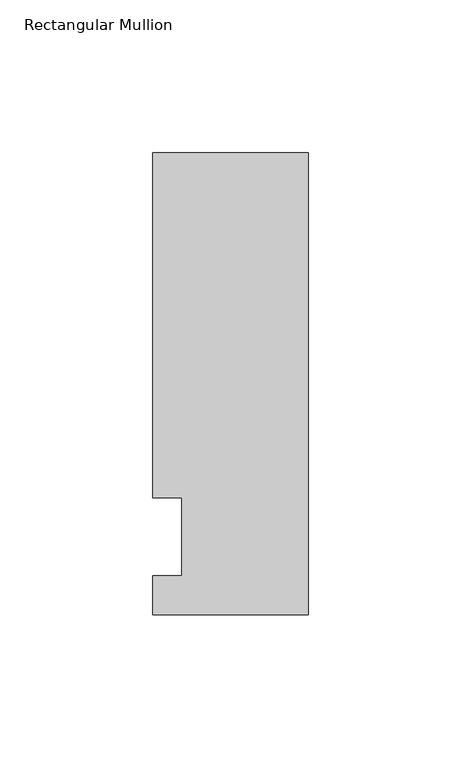
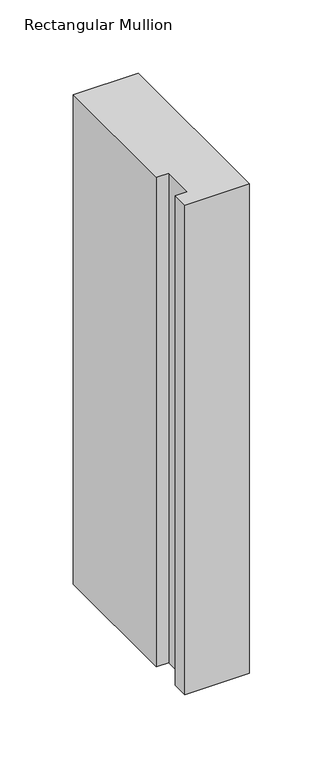
"""IFC4 building model written with IfcOpenShell, lengths in millimetres: member geometry, Rectangular Mullion."""

from ifc_helpers import new_model, si_unit, frame, origin, place, context, project, spatial, polyline, outline, extrude, source, transform, mapped, element, save


def rectangular_mullion_96897bdb(model_context):
    return source(origin(), model_context, "Body", "SweptSolid", [
        extrude(outline(polyline([(-50.8, -25.5984375), (-50.8, -12.7), (-41.275, -12.7), (-41.275, 12.7), (-50.8, 12.7), (-50.8, 125.6109375), (0.0, 125.6109375), (0.0, -25.5984375), (-50.8, -25.5984375)])), frame((0.0, 0.0, -406.4), z_axis=(0.0, 0.0, 1.0), x_axis=(1.0, 0.0, 0.0)), (0.0, 0.0, 1.0), 406.4),
    ])


if __name__ == "__main__":
    model = new_model("IFC4")
    model_context = context("Model", 3, world=origin())
    ifc_project = project(units=[si_unit("LENGTHUNIT", "METRE", prefix="MILLI")], contexts=[model_context])
    site = spatial("IfcSite", under=ifc_project)
    building = spatial("IfcBuilding", under=site)
    placement = place(None, origin())
    rectangular_mullion_shape = rectangular_mullion_96897bdb(model_context)
    element("IfcMember", 1, ObjectType="Rectangular Mullion", at=placement, inside=building, context=model_context, shape_type="MappedRepresentation", body=[
        mapped(rectangular_mullion_shape, transform((0.0, 0.0, 0.0), x_axis=(1.0, 0.0, 0.0), y_axis=(0.0, 1.0, 0.0), z_axis=(0.0, 0.0, 1.0))),
    ])
    save(model, "model.ifc")
